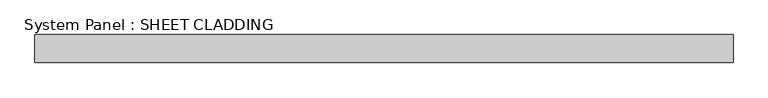
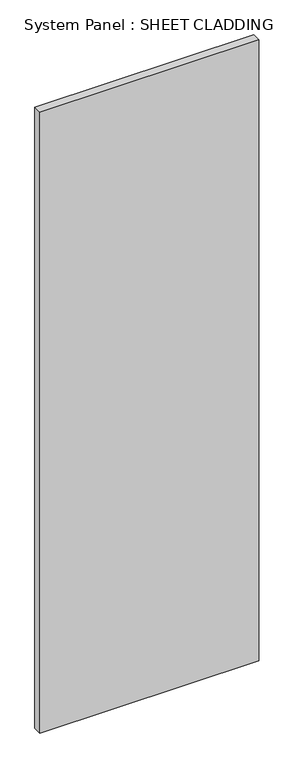
"""IFC4 building model written with IfcOpenShell, lengths in millimetres: plate geometry, System Panel : SHEET CLADDING."""

import ifcopenshell
import ifcopenshell.guid

model = None  # the IFC model being written
_history = None  # IfcOwnerHistory: only IFC2X3 demands one
_inside = {}  # id of a spatial element -> (the spatial element, [elements in it])
_under = {}  # id of a project, library or spatial element -> (it, [spatial elements below it])
_declared = {}  # id of a project -> (the project, [libraries it declares])
_typed = {}  # id of a type object -> (the type object, [elements of that type])
_made_of = {}  # id of a material, layer set ... -> (it, [elements and type objects made of it])


def new_model(schema):
    """Start an empty IFC model of exactly this schema.

    Asked for "IFC4X3", IfcOpenShell would pick the latest addendum, in which some entities
    have other attributes; the version numbers below select the first issue.
    IFC2X3 requires an IfcOwnerHistory on every rooted entity: one is made here for all.
    """
    global model, _history
    if schema == "IFC4X3":
        model = ifcopenshell.file(schema_version=(4, 3, 0, 0))
    else:
        model = ifcopenshell.file(schema=schema)
    _inside.clear()
    _under.clear()
    _declared.clear()
    _typed.clear()
    _made_of.clear()
    _history = None
    if model.schema == "IFC2X3":
        org = make("IfcOrganization", Name="unknown")
        user = make(
            "IfcPersonAndOrganization",
            ThePerson=make("IfcPerson", FamilyName="unknown"),
            TheOrganization=org,
        )
        app = make(
            "IfcApplication",
            ApplicationDeveloper=org,
            Version="unknown",
            ApplicationFullName="unknown",
            ApplicationIdentifier="unknown",
        )
        _history = make(
            "IfcOwnerHistory",
            OwningUser=user,
            OwningApplication=app,
            ChangeAction="ADDED",
            CreationDate=0,
        )
    return model


def make(cls, **values):
    """One entity of the class cls with the attributes given. An attribute that is None is left unset."""
    return model.create_entity(
        cls, **{name: value for name, value in values.items() if value is not None}
    )


def rooted(cls, **values):
    """An entity with a GlobalId (a new one), such as an element, a storey or a relation."""
    return make(cls, GlobalId=ifcopenshell.guid.new(), OwnerHistory=_history, **values)


def si_unit(unit_type, name, prefix=None):
    """IfcSIUnit, for example si_unit("LENGTHUNIT", "METRE", prefix="MILLI")."""
    return make("IfcSIUnit", UnitType=unit_type, Prefix=prefix, Name=name)


def assignment(units):
    """IfcUnitAssignment: the units of a project."""
    return None if units is None else make("IfcUnitAssignment", Units=units)


def point(xyz):
    """IfcCartesianPoint."""
    return None if xyz is None else make("IfcCartesianPoint", Coordinates=xyz)


def direction(xyz):
    """IfcDirection."""
    return None if xyz is None else make("IfcDirection", DirectionRatios=xyz)


def frame(location, z_axis=None, x_axis=None):
    """IfcAxis2Placement3D, a coordinate frame: its origin and axes. An axis left out is left unset."""
    return make(
        "IfcAxis2Placement3D",
        Location=point(location),
        Axis=direction(z_axis),
        RefDirection=direction(x_axis),
    )


def origin():
    """The frame at (0, 0, 0) with its axes left unset."""
    return frame((0.0, 0.0, 0.0))


def origin_with_axes():
    """The frame at (0, 0, 0) with the z axis (0, 0, 1) and the x axis (1, 0, 0) written out."""
    return frame((0.0, 0.0, 0.0), z_axis=(0.0, 0.0, 1.0), x_axis=(1.0, 0.0, 0.0))


def place(relative_to, where):
    """IfcLocalPlacement: puts the frame where relative to a parent placement (None: the world)."""
    return make(
        "IfcLocalPlacement", PlacementRelTo=relative_to, RelativePlacement=where
    )


def context(
    kind, dimensions, precision=None, world=None, true_north=None, identifier=None
):
    """IfcGeometricRepresentationContext, for example the 3D "Model" context."""
    return make(
        "IfcGeometricRepresentationContext",
        ContextIdentifier=identifier,
        ContextType=kind,
        CoordinateSpaceDimension=dimensions,
        Precision=precision,
        WorldCoordinateSystem=world,
        TrueNorth=true_north,
    )


def project(units=None, contexts=None):
    """IfcProject with its units and contexts."""
    return rooted(
        "IfcProject",
        Name="project",
        RepresentationContexts=contexts,
        UnitsInContext=assignment(units),
    )


def spatial(cls, under=None, at=None, **own):
    """A site, building, storey or space (cls), placed at a placement, below another one or the project."""
    s = rooted(cls, ObjectPlacement=at, **own)
    if under is not None:
        _under.setdefault(under.id(), (under, []))[1].append(s)
    return s


def polyline(points):
    """IfcPolyline through the points."""
    return make("IfcPolyline", Points=[point(p) for p in points])


def outline(outer, holes=None, kind="AREA"):
    """IfcArbitraryClosedProfileDef: a profile drawn as a closed curve; with holes, ...WithVoids."""
    if holes is None:
        return make("IfcArbitraryClosedProfileDef", ProfileType=kind, OuterCurve=outer)
    return make(
        "IfcArbitraryProfileDefWithVoids",
        ProfileType=kind,
        OuterCurve=outer,
        InnerCurves=holes,
    )


def extrude(swept, where, along, depth):
    """IfcExtrudedAreaSolid: the profile swept, set in the frame where, extruded along a direction by depth."""
    return make(
        "IfcExtrudedAreaSolid",
        SweptArea=swept,
        Position=where,
        ExtrudedDirection=direction(along),
        Depth=depth,
    )


def shape(context_of_items, identifier, shape_type, items):
    """IfcShapeRepresentation: the items that make up one representation, for example the "Body"."""
    return make(
        "IfcShapeRepresentation",
        ContextOfItems=context_of_items,
        RepresentationIdentifier=identifier,
        RepresentationType=shape_type,
        Items=items,
    )


def source(mapping_origin, context_of_items, identifier, shape_type, items):
    """IfcRepresentationMap: a shape defined once, which mapped items show again and again."""
    return make(
        "IfcRepresentationMap",
        MappingOrigin=mapping_origin,
        MappedRepresentation=shape(context_of_items, identifier, shape_type, items),
    )


def transform(
    local_origin,
    x_axis=None,
    y_axis=None,
    z_axis=None,
    scale=None,
    scale2=None,
    scale3=None,
    uniform=True,
):
    """IfcCartesianTransformationOperator3D, or its non-uniform kind. x_axis, y_axis, z_axis: its Axis1, 2, 3."""
    if uniform:
        return make(
            "IfcCartesianTransformationOperator3D",
            Axis1=direction(x_axis),
            Axis2=direction(y_axis),
            LocalOrigin=point(local_origin),
            Scale=scale,
            Axis3=direction(z_axis),
        )
    return make(
        "IfcCartesianTransformationOperator3DnonUniform",
        Axis1=direction(x_axis),
        Axis2=direction(y_axis),
        LocalOrigin=point(local_origin),
        Scale=scale,
        Axis3=direction(z_axis),
        Scale2=scale2,
        Scale3=scale3,
    )


def mapped(mapping_source, mapping_target):
    """IfcMappedItem: shows the shape of a source again, moved by a transform."""
    return make(
        "IfcMappedItem", MappingSource=mapping_source, MappingTarget=mapping_target
    )


def made_of(thing, what):
    """Note that an element or type object is made of a material, layer set ...; save() writes the relation."""
    if what is not None:
        _made_of.setdefault(what.id(), (what, []))[1].append(thing)
    return thing


def element(
    cls,
    number,
    at=None,
    inside=None,
    cuts=None,
    type_object=None,
    material=None,
    context=None,
    identifier="Body",
    shape_type=None,
    held_by="IfcProductDefinitionShape",
    body=None,
    shapes=None,
    **own,
):
    """One element of the class cls, such as IfcWall. Its Tag is "e" and its number.

    at: its placement. inside: the storey or other place that contains it. cuts: it is an
    opening in that element (IfcRelVoidsElement). A single representation is given by context,
    identifier, shape_type and body (its items); several are given by shapes. held_by: the class
    of the entity that holds the representations. save() writes the other relations.
    """
    e = rooted(cls, Tag="e%d" % number, ObjectPlacement=at, **own)
    if body is not None:
        shapes = [shape(context, identifier, shape_type, body)]
    if shapes is not None:
        e.Representation = make(held_by, Representations=shapes)
    if inside is not None:
        _inside.setdefault(inside.id(), (inside, []))[1].append(e)
    if cuts is not None:
        rooted(
            "IfcRelVoidsElement", RelatingBuildingElement=cuts, RelatedOpeningElement=e
        )
    if type_object is not None:
        _typed.setdefault(type_object.id(), (type_object, []))[1].append(e)
    return made_of(e, material)


def aggregate(whole, parts):
    """IfcRelAggregates: a whole, such as a stair, and the parts it consists of."""
    return rooted("IfcRelAggregates", RelatingObject=whole, RelatedObjects=parts)


def save(model, path):
    """Write the relations noted so far, then the file.

    IfcRelAggregates (storeys below a building ...), IfcRelContainedInSpatialStructure (elements
    in a storey), IfcRelDefinesByType, IfcRelAssociatesMaterial and IfcRelDeclares: one each for
    every whole, place, type object, material and project.
    """
    for whole, parts in _under.values():
        aggregate(whole, parts)
    for where, things in _inside.values():
        rooted(
            "IfcRelContainedInSpatialStructure",
            RelatedElements=things,
            RelatingStructure=where,
        )
    for kind, things in _typed.values():
        rooted("IfcRelDefinesByType", RelatedObjects=things, RelatingType=kind)
    for what, things in _made_of.values():
        rooted("IfcRelAssociatesMaterial", RelatedObjects=things, RelatingMaterial=what)
    for by, libraries in _declared.values():
        rooted("IfcRelDeclares", RelatingContext=by, RelatedDefinitions=libraries)
    model.write(path)


def system_panel_sheet_cladding_f69c9acc(model_context):
    return source(origin(), model_context, "Body", "SweptSolid", [
        extrude(outline(polyline([(750.0000002, -10.5), (-750.0000002, -10.5), (-750.0000002, 49.5), (750.0000002, 49.5), (750.0000002, -10.5)])), origin_with_axes(), (0.0, 0.0, 1.0), 4500.0),
    ])


if __name__ == "__main__":
    model = new_model("IFC4")
    model_context = context("Model", 3, world=origin())
    ifc_project = project(units=[si_unit("LENGTHUNIT", "METRE", prefix="MILLI")], contexts=[model_context])
    site = spatial("IfcSite", under=ifc_project)
    building = spatial("IfcBuilding", under=site)
    placement = place(None, origin())
    system_panel_sheet_cladding_shape = system_panel_sheet_cladding_f69c9acc(model_context)
    element("IfcPlate", 1, ObjectType="System Panel : SHEET CLADDING", at=placement, inside=building, context=model_context, shape_type="MappedRepresentation", body=[
        mapped(system_panel_sheet_cladding_shape, transform((0.0, 0.0, 0.0), x_axis=(1.0, 0.0, 0.0), y_axis=(0.0, 1.0, 0.0), z_axis=(0.0, 0.0, 1.0))),
    ])
    save(model, "model.ifc")
